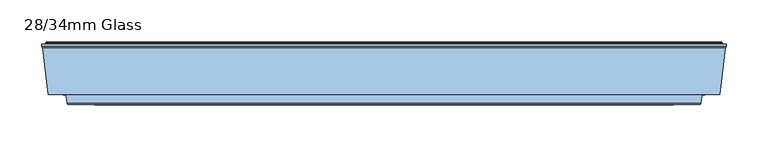
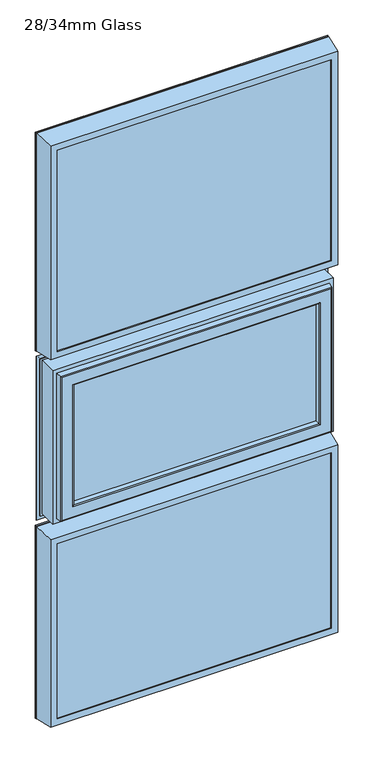
"""IFC4 building model written with IfcOpenShell, lengths in millimetres: window geometry, 28/34mm Glass."""

from ifc_helpers import new_model, si_unit, frame, origin, place, context, project, spatial, polyline, ellipse_curve, outline, extrude, source, transform, mapped, element, save
from ifc_brep_helpers import plane_surface, cylinder_surface, advanced_brep


def window_28_34mm_glass_00a71ec9(model_context):
    return source(origin(), model_context, "Body", "SolidModel", [
        extrude(outline(polyline([(396.0, 93.010944), (-396.0, 93.010944), (-396.0, 127.010944), (396.0, 127.010944), (396.0, 93.010944)])), frame((0.0, 0.0, 1931.0), z_axis=(0.0, 0.0, 1.0), x_axis=(1.0, 0.0, 0.0)), (0.0, 0.0, 1.0), 621.0),
        advanced_brep(
        [(382.0, 128.3448353, 2538.0), (389.1686313, 151.7923717, 2545.1686313), (389.1686313, 151.7923717, 1937.8313687), (382.0, 128.3448353, 1945.0), (382.0, 127.010944, 2538.0), (382.0, 127.010944, 1945.0), (396.0, 93.0, 2552.0), (396.0, 127.010944, 2552.0), (396.0, 127.010944, 1931.0), (396.0, 93.0, 1931.0), (382.0, 90.0, 2538.0), (382.0, 93.0, 2538.0), (382.0, 93.0, 1945.0), (382.0, 90.0, 1945.0), (406.822025, 145.5609347, 2562.822025), (400.0, 90.0, 2556.0), (400.0, 90.0, 1927.0), (406.822025, 145.5609347, 1920.177975), (407.6, 147.2, 2563.6), (407.6, 147.2, 1919.4), (407.6, 150.5, 2563.6), (407.6, 150.5, 1919.4), (403.22, 151.5, 2559.22), (403.22, 150.5, 2559.22), (403.22, 150.5, 1923.78), (403.22, 151.5, 1923.78), (402.22, 152.5, 2558.22), (402.22, 152.5, 1924.78), (390.124936, 152.5, 2546.124936), (390.124936, 152.5, 1936.875064), (-389.1686313, 151.7923717, 1937.8313687), (-382.0, 128.3448353, 1945.0), (-382.0, 127.010944, 1945.0), (-396.0, 127.010944, 1931.0), (-396.0, 93.0, 1931.0), (-382.0, 93.0, 1945.0), (-382.0, 90.0, 1945.0), (-400.0, 90.0, 1927.0), (-406.822025, 145.5609347, 1920.177975), (-407.6, 147.2, 1919.4), (-407.6, 150.5, 1919.4), (-403.22, 150.5, 1923.78), (-403.22, 151.5, 1923.78), (-402.22, 152.5, 1924.78), (-390.124936, 152.5, 1936.875064), (-389.1686313, 151.7923717, 2545.1686313), (-382.0, 128.3448353, 2538.0), (-382.0, 127.010944, 2538.0), (-396.0, 127.010944, 2552.0), (-396.0, 93.0, 2552.0), (-382.0, 93.0, 2538.0), (-382.0, 90.0, 2538.0), (-400.0, 90.0, 2556.0), (-406.822025, 145.5609347, 2562.822025), (-407.6, 147.2, 2563.6), (-407.6, 150.5, 2563.6), (-403.22, 150.5, 2559.22), (-403.22, 151.5, 2559.22), (-402.22, 152.5, 2558.22), (-390.124936, 152.5, 2546.124936)],
        [
            (0, 1),
            (1, 2),
            (2, 3),
            (3, 0),
            (4, 0),
            (3, 5),
            (5, 4),
            (6, 7),
            (7, 8),
            (8, 9),
            (9, 6),
            (10, 11),
            (11, 12),
            (12, 13),
            (13, 10),
            (14, 15),
            (15, 16),
            (16, 17),
            (17, 14),
            (18, 14),
            (17, 19),
            (19, 18),
            (20, 18),
            (19, 21),
            (21, 20),
            (22, 23),
            (23, 24),
            (24, 25),
            (25, 22),
            (26, 22, ellipse_curve(frame((402.22, 151.5, 2558.22), z_axis=(0.7071067811865475, 0.0, -0.7071067811865475), x_axis=(0.7071067811865474, 0.0, 0.7071067811865476)), 1.4142136, 1.0)),
            (25, 27, ellipse_curve(frame((402.22, 151.5, 1924.78), z_axis=(0.7071067811865475, 0.0, 0.7071067811865475), x_axis=(-0.7071067811865474, 0.0, 0.7071067811865476)), 1.4142136, 1.0)),
            (27, 26),
            (1, 28, ellipse_curve(frame((390.124936, 151.5, 2546.124936), z_axis=(0.7071067811865475, 0.0, -0.7071067811865475), x_axis=(0.7071067811865474, 0.0, 0.7071067811865476)), 1.4142136, 1.0)),
            (28, 29),
            (29, 2, ellipse_curve(frame((390.124936, 151.5, 1936.875064), z_axis=(0.7071067811865475, 0.0, 0.7071067811865475), x_axis=(-0.7071067811865474, 0.0, 0.7071067811865476)), 1.4142136, 1.0)),
            (2, 30),
            (30, 31),
            (31, 3),
            (31, 32),
            (32, 5),
            (8, 33),
            (33, 34),
            (34, 9),
            (12, 35),
            (35, 36),
            (36, 13),
            (16, 37),
            (37, 38),
            (38, 17),
            (38, 39),
            (39, 19),
            (39, 40),
            (40, 21),
            (24, 41),
            (41, 42),
            (42, 25),
            (42, 43, ellipse_curve(frame((-402.22, 151.5, 1924.78), z_axis=(0.7071067811865475, 0.0, -0.7071067811865475), x_axis=(0.7071067811865476, 0.0, 0.7071067811865474)), 1.4142136, 1.0)),
            (43, 27),
            (29, 44),
            (44, 30, ellipse_curve(frame((-390.124936, 151.5, 1936.875064), z_axis=(0.7071067811865475, 0.0, -0.7071067811865475), x_axis=(0.7071067811865476, 0.0, 0.7071067811865474)), 1.4142136, 1.0)),
            (30, 45),
            (45, 46),
            (46, 31),
            (46, 47),
            (47, 32),
            (33, 48),
            (48, 49),
            (49, 34),
            (35, 50),
            (50, 51),
            (51, 36),
            (37, 52),
            (52, 53),
            (53, 38),
            (53, 54),
            (54, 39),
            (54, 55),
            (55, 40),
            (41, 56),
            (56, 57),
            (57, 42),
            (57, 58, ellipse_curve(frame((-402.22, 151.5, 2558.22), z_axis=(-0.7071067811865475, 0.0, -0.7071067811865475), x_axis=(0.7071067811865474, 0.0, -0.7071067811865476)), 1.4142136, 1.0)),
            (58, 43),
            (44, 59),
            (59, 45, ellipse_curve(frame((-390.124936, 151.5, 2546.124936), z_axis=(-0.7071067811865475, 0.0, -0.7071067811865475), x_axis=(0.7071067811865474, 0.0, -0.7071067811865476)), 1.4142136, 1.0)),
            (45, 1),
            (0, 46),
            (4, 47),
            (7, 48),
            (6, 49),
            (11, 50),
            (10, 51),
            (15, 52),
            (14, 53),
            (18, 54),
            (20, 55),
            (23, 56),
            (22, 57),
            (26, 58),
            (28, 59),
        ],
        [
            plane_surface(frame((389.1686313, 151.7923717, 2545.1686313), z_axis=(-0.956304755963033, 0.292371704722745, 0.0), x_axis=(0.0, 0.0, -1.0))),
            plane_surface(frame((382.0, 128.3448353, 2538.0), z_axis=(-1.0, 0.0, 0.0), x_axis=(0.0, 0.0, -1.0))),
            plane_surface(frame((396.0, 127.010944, 2552.0), z_axis=(-1.0, 0.0, 0.0), x_axis=(0.0, 0.0, -1.0))),
            plane_surface(frame((382.0, 93.0, 2538.0), z_axis=(-1.0, 0.0, 0.0), x_axis=(0.0, 0.0, -1.0))),
            plane_surface(frame((400.0, 90.0, 2556.0), z_axis=(0.9925461516413232, -0.1218693434051386, 0.0), x_axis=(0.0, 0.0, -1.0))),
            plane_surface(frame((406.822025, 145.5609347, 2562.822025), z_axis=(0.9034015732556399, -0.4287955193786835, 0.0), x_axis=(0.0, 0.0, -1.0))),
            plane_surface(frame((407.6, 147.2, 2563.6), z_axis=(1.0, 0.0, 0.0), x_axis=(0.0, 0.0, -1.0))),
            plane_surface(frame((403.22, 150.5, 2559.22), z_axis=(1.0, 0.0, 0.0), x_axis=(0.0, 0.0, -1.0))),
            cylinder_surface(frame((402.22, 151.5, 2588.0), z_axis=(0.0, 0.0, 1.0), x_axis=(0.0, -1.0, 0.0)), 1.0),
            cylinder_surface(frame((390.124936, 151.5, 2588.0), z_axis=(0.0, 0.0, 1.0), x_axis=(0.0, -1.0, 0.0)), 1.0),
            plane_surface(frame((389.1686313, 151.7923717, 1937.8313687), z_axis=(0.0, 0.292371704722745, 0.956304755963033), x_axis=(-1.0, 0.0, 0.0))),
            plane_surface(frame((382.0, 128.3448353, 1945.0), z_axis=(0.0, 0.0, 1.0), x_axis=(-1.0, 0.0, 0.0))),
            plane_surface(frame((396.0, 127.010944, 1931.0), z_axis=(0.0, 0.0, 1.0), x_axis=(-1.0, 0.0, 0.0))),
            plane_surface(frame((382.0, 93.0, 1945.0), z_axis=(0.0, 0.0, 1.0), x_axis=(-1.0, 0.0, 0.0))),
            plane_surface(frame((400.0, 90.0, 1927.0), z_axis=(0.0, -0.1218693434051386, -0.9925461516413232), x_axis=(-1.0, 0.0, 0.0))),
            plane_surface(frame((406.822025, 145.5609347, 1920.177975), z_axis=(0.0, -0.4287955193786835, -0.9034015732556399), x_axis=(-1.0, 0.0, 0.0))),
            plane_surface(frame((407.6, 147.2, 1919.4), z_axis=(0.0, 0.0, -1.0), x_axis=(-1.0, 0.0, 0.0))),
            plane_surface(frame((403.22, 150.5, 1923.78), z_axis=(0.0, 0.0, -1.0), x_axis=(-1.0, 0.0, 0.0))),
            cylinder_surface(frame((432.0, 151.5, 1924.78), z_axis=(1.0, 0.0, 0.0), x_axis=(0.0, -1.0, 0.0)), 1.0),
            cylinder_surface(frame((432.0, 151.5, 1936.875064), z_axis=(1.0, 0.0, 0.0), x_axis=(0.0, -1.0, 0.0)), 1.0),
            plane_surface(frame((-389.1686313, 151.7923717, 1937.8313687), z_axis=(0.956304755963033, 0.292371704722745, 0.0), x_axis=(0.0, 0.0, 1.0))),
            plane_surface(frame((-382.0, 128.3448353, 1945.0), z_axis=(1.0, 0.0, 0.0), x_axis=(0.0, 0.0, 1.0))),
            plane_surface(frame((-396.0, 127.010944, 1931.0), z_axis=(1.0, 0.0, 0.0), x_axis=(0.0, 0.0, 1.0))),
            plane_surface(frame((-382.0, 93.0, 1945.0), z_axis=(1.0, 0.0, 0.0), x_axis=(0.0, 0.0, 1.0))),
            plane_surface(frame((-400.0, 90.0, 1927.0), z_axis=(-0.9925461516413232, -0.1218693434051386, 0.0), x_axis=(0.0, 0.0, 1.0))),
            plane_surface(frame((-406.822025, 145.5609347, 1920.177975), z_axis=(-0.9034015732556399, -0.4287955193786835, 0.0), x_axis=(0.0, 0.0, 1.0))),
            plane_surface(frame((-407.6, 147.2, 1919.4), z_axis=(-1.0, 0.0, 0.0), x_axis=(0.0, 0.0, 1.0))),
            plane_surface(frame((-403.22, 150.5, 1923.78), z_axis=(-1.0, 0.0, 0.0), x_axis=(0.0, 0.0, 1.0))),
            cylinder_surface(frame((-402.22, 151.5, 1895.0), z_axis=(0.0, 0.0, -1.0), x_axis=(0.0, -1.0, 0.0)), 1.0),
            cylinder_surface(frame((-390.124936, 151.5, 1895.0), z_axis=(0.0, 0.0, -1.0), x_axis=(0.0, -1.0, 0.0)), 1.0),
            plane_surface(frame((-389.1686313, 151.7923717, 2545.1686313), z_axis=(0.0, 0.292371704722745, -0.956304755963033), x_axis=(1.0, 0.0, 0.0))),
            plane_surface(frame((-382.0, 128.3448353, 2538.0), z_axis=(0.0, 0.0, -1.0), x_axis=(1.0, 0.0, 0.0))),
            plane_surface(frame((-382.0, 127.010944, 2538.0), z_axis=(0.0, -1.0, 0.0), x_axis=(1.0, 0.0, 0.0))),
            plane_surface(frame((-396.0, 127.010944, 2552.0), z_axis=(0.0, 0.0, -1.0), x_axis=(1.0, 0.0, 0.0))),
            plane_surface(frame((-396.0, 93.0, 2552.0), z_axis=(0.0, 1.0, 0.0), x_axis=(1.0, 0.0, 0.0))),
            plane_surface(frame((-382.0, 93.0, 2538.0), z_axis=(0.0, 0.0, -1.0), x_axis=(1.0, 0.0, 0.0))),
            plane_surface(frame((-382.0, 90.0, 2538.0), z_axis=(0.0, -1.0, 0.0), x_axis=(1.0, 0.0, 0.0))),
            plane_surface(frame((-400.0, 90.0, 2556.0), z_axis=(0.0, -0.1218693434051386, 0.9925461516413232), x_axis=(1.0, 0.0, 0.0))),
            plane_surface(frame((-406.822025, 145.5609347, 2562.822025), z_axis=(0.0, -0.4287955193786835, 0.9034015732556399), x_axis=(1.0, 0.0, 0.0))),
            plane_surface(frame((-407.6, 147.2, 2563.6), z_axis=(0.0, 0.0, 1.0), x_axis=(1.0, 0.0, 0.0))),
            plane_surface(frame((-407.6, 150.5, 2563.6), z_axis=(0.0, 1.0, 0.0), x_axis=(1.0, 0.0, 0.0))),
            plane_surface(frame((-403.22, 150.5, 2559.22), z_axis=(0.0, 0.0, 1.0), x_axis=(1.0, 0.0, 0.0))),
            cylinder_surface(frame((-432.0, 151.5, 2558.22), z_axis=(-1.0, 0.0, 0.0), x_axis=(0.0, -1.0, 0.0)), 1.0),
            plane_surface(frame((-402.22, 152.5, 2558.22), z_axis=(0.0, 1.0, 0.0), x_axis=(1.0, 0.0, 0.0))),
            cylinder_surface(frame((-432.0, 151.5, 2546.124936), z_axis=(-1.0, 0.0, 0.0), x_axis=(0.0, -1.0, 0.0)), 1.0),
        ],
        [
            (0, [[1, 2, 3, 4]]),
            (1, [[5, -4, 6, 7]]),
            (2, [[8, 9, 10, 11]]),
            (3, [[12, 13, 14, 15]]),
            (4, [[16, 17, 18, 19]]),
            (5, [[20, -19, 21, 22]]),
            (6, [[23, -22, 24, 25]]),
            (7, [[26, 27, 28, 29]]),
            (8, [[30, -29, 31, 32]]),
            (9, [[33, 34, 35, -2]]),
            (10, [[-3, 36, 37, 38]]),
            (11, [[-6, -38, 39, 40]]),
            (12, [[-10, 41, 42, 43]]),
            (13, [[-14, 44, 45, 46]]),
            (14, [[-18, 47, 48, 49]]),
            (15, [[-21, -49, 50, 51]]),
            (16, [[-24, -51, 52, 53]]),
            (17, [[-28, 54, 55, 56]]),
            (18, [[-31, -56, 57, 58]]),
            (19, [[-35, 59, 60, -36]]),
            (20, [[-37, 61, 62, 63]]),
            (21, [[-39, -63, 64, 65]]),
            (22, [[-42, 66, 67, 68]]),
            (23, [[-45, 69, 70, 71]]),
            (24, [[-48, 72, 73, 74]]),
            (25, [[-50, -74, 75, 76]]),
            (26, [[-52, -76, 77, 78]]),
            (27, [[-55, 79, 80, 81]]),
            (28, [[-57, -81, 82, 83]]),
            (29, [[-60, 84, 85, -61]]),
            (30, [[-62, 86, -1, 87]]),
            (31, [[-64, -87, -5, 88]]),
            (32, [[89, -66, -41, -9], [-40, -65, -88, -7]]),
            (33, [[-67, -89, -8, 90]]),
            (34, [[-43, -68, -90, -11], [91, -69, -44, -13]]),
            (35, [[-70, -91, -12, 92]]),
            (36, [[93, -72, -47, -17], [-46, -71, -92, -15]]),
            (37, [[-73, -93, -16, 94]]),
            (38, [[-75, -94, -20, 95]]),
            (39, [[-77, -95, -23, 96]]),
            (40, [[-53, -78, -96, -25], [97, -79, -54, -27]]),
            (41, [[-80, -97, -26, 98]]),
            (42, [[-82, -98, -30, 99]]),
            (43, [[-58, -83, -99, -32], [100, -84, -59, -34]]),
            (44, [[-85, -100, -33, -86]]),
        ],
    ),
        extrude(outline(polyline([(396.0, 93.010944), (-396.0, 93.010944), (-396.0, 127.010944), (396.0, 127.010944), (396.0, 93.010944)])), frame((0.0, 0.0, 848.0), z_axis=(0.0, 0.0, 1.0), x_axis=(1.0, 0.0, 0.0)), (0.0, 0.0, 1.0), 545.0),
        advanced_brep(
        [(382.0, 128.3448353, 1379.0), (389.1686313, 151.7923717, 1386.1686313), (389.1686313, 151.7923717, 854.8313687), (382.0, 128.3448353, 862.0), (382.0, 127.010944, 1379.0), (382.0, 127.010944, 862.0), (396.0, 93.0, 1393.0), (396.0, 127.010944, 1393.0), (396.0, 127.010944, 848.0), (396.0, 93.0, 848.0), (382.0, 90.0, 1379.0), (382.0, 93.0, 1379.0), (382.0, 93.0, 862.0), (382.0, 90.0, 862.0), (406.822025, 145.5609347, 1403.822025), (400.0, 90.0, 1397.0), (400.0, 90.0, 844.0), (406.822025, 145.5609347, 837.177975), (407.6, 147.2, 1404.6), (407.6, 147.2, 836.4), (407.6, 150.5, 1404.6), (407.6, 150.5, 836.4), (403.22, 151.5, 1400.22), (403.22, 150.5, 1400.22), (403.22, 150.5, 840.78), (403.22, 151.5, 840.78), (402.22, 152.5, 1399.22), (402.22, 152.5, 841.78), (390.124936, 152.5, 1387.124936), (390.124936, 152.5, 853.875064), (-389.1686313, 151.7923717, 854.8313687), (-382.0, 128.3448353, 862.0), (-382.0, 127.010944, 862.0), (-396.0, 127.010944, 848.0), (-396.0, 93.0, 848.0), (-382.0, 93.0, 862.0), (-382.0, 90.0, 862.0), (-400.0, 90.0, 844.0), (-406.822025, 145.5609347, 837.177975), (-407.6, 147.2, 836.4), (-407.6, 150.5, 836.4), (-403.22, 150.5, 840.78), (-403.22, 151.5, 840.78), (-402.22, 152.5, 841.78), (-390.124936, 152.5, 853.875064), (-389.1686313, 151.7923717, 1386.1686313), (-382.0, 128.3448353, 1379.0), (-382.0, 127.010944, 1379.0), (-396.0, 127.010944, 1393.0), (-396.0, 93.0, 1393.0), (-382.0, 93.0, 1379.0), (-382.0, 90.0, 1379.0), (-400.0, 90.0, 1397.0), (-406.822025, 145.5609347, 1403.822025), (-407.6, 147.2, 1404.6), (-407.6, 150.5, 1404.6), (-403.22, 150.5, 1400.22), (-403.22, 151.5, 1400.22), (-402.22, 152.5, 1399.22), (-390.124936, 152.5, 1387.124936)],
        [
            (0, 1),
            (1, 2),
            (2, 3),
            (3, 0),
            (4, 0),
            (3, 5),
            (5, 4),
            (6, 7),
            (7, 8),
            (8, 9),
            (9, 6),
            (10, 11),
            (11, 12),
            (12, 13),
            (13, 10),
            (14, 15),
            (15, 16),
            (16, 17),
            (17, 14),
            (18, 14),
            (17, 19),
            (19, 18),
            (20, 18),
            (19, 21),
            (21, 20),
            (22, 23),
            (23, 24),
            (24, 25),
            (25, 22),
            (26, 22, ellipse_curve(frame((402.22, 151.5, 1399.22), z_axis=(0.7071067811865475, 0.0, -0.7071067811865475), x_axis=(0.7071067811865474, 0.0, 0.7071067811865476)), 1.4142136, 1.0)),
            (25, 27, ellipse_curve(frame((402.22, 151.5, 841.78), z_axis=(0.7071067811865475, 0.0, 0.7071067811865475), x_axis=(-0.7071067811865474, 0.0, 0.7071067811865476)), 1.4142136, 1.0)),
            (27, 26),
            (1, 28, ellipse_curve(frame((390.124936, 151.5, 1387.124936), z_axis=(0.7071067811865475, 0.0, -0.7071067811865475), x_axis=(0.7071067811865474, 0.0, 0.7071067811865476)), 1.4142136, 1.0)),
            (28, 29),
            (29, 2, ellipse_curve(frame((390.124936, 151.5, 853.875064), z_axis=(0.7071067811865475, 0.0, 0.7071067811865475), x_axis=(-0.7071067811865474, 0.0, 0.7071067811865476)), 1.4142136, 1.0)),
            (2, 30),
            (30, 31),
            (31, 3),
            (31, 32),
            (32, 5),
            (8, 33),
            (33, 34),
            (34, 9),
            (12, 35),
            (35, 36),
            (36, 13),
            (16, 37),
            (37, 38),
            (38, 17),
            (38, 39),
            (39, 19),
            (39, 40),
            (40, 21),
            (24, 41),
            (41, 42),
            (42, 25),
            (42, 43, ellipse_curve(frame((-402.22, 151.5, 841.78), z_axis=(0.7071067811865475, 0.0, -0.7071067811865475), x_axis=(0.7071067811865476, 0.0, 0.7071067811865474)), 1.4142136, 1.0)),
            (43, 27),
            (29, 44),
            (44, 30, ellipse_curve(frame((-390.124936, 151.5, 853.875064), z_axis=(0.7071067811865475, 0.0, -0.7071067811865475), x_axis=(0.7071067811865476, 0.0, 0.7071067811865474)), 1.4142136, 1.0)),
            (30, 45),
            (45, 46),
            (46, 31),
            (46, 47),
            (47, 32),
            (33, 48),
            (48, 49),
            (49, 34),
            (35, 50),
            (50, 51),
            (51, 36),
            (37, 52),
            (52, 53),
            (53, 38),
            (53, 54),
            (54, 39),
            (54, 55),
            (55, 40),
            (41, 56),
            (56, 57),
            (57, 42),
            (57, 58, ellipse_curve(frame((-402.22, 151.5, 1399.22), z_axis=(-0.7071067811865475, 0.0, -0.7071067811865475), x_axis=(0.7071067811865474, 0.0, -0.7071067811865476)), 1.4142136, 1.0)),
            (58, 43),
            (44, 59),
            (59, 45, ellipse_curve(frame((-390.124936, 151.5, 1387.124936), z_axis=(-0.7071067811865475, 0.0, -0.7071067811865475), x_axis=(0.7071067811865474, 0.0, -0.7071067811865476)), 1.4142136, 1.0)),
            (45, 1),
            (0, 46),
            (4, 47),
            (7, 48),
            (6, 49),
            (11, 50),
            (10, 51),
            (15, 52),
            (14, 53),
            (18, 54),
            (20, 55),
            (23, 56),
            (22, 57),
            (26, 58),
            (28, 59),
        ],
        [
            plane_surface(frame((389.1686313, 151.7923717, 1386.1686313), z_axis=(-0.956304755963033, 0.292371704722745, 0.0), x_axis=(0.0, 0.0, -1.0))),
            plane_surface(frame((382.0, 128.3448353, 1379.0), z_axis=(-1.0, 0.0, 0.0), x_axis=(0.0, 0.0, -1.0))),
            plane_surface(frame((396.0, 127.010944, 1393.0), z_axis=(-1.0, 0.0, 0.0), x_axis=(0.0, 0.0, -1.0))),
            plane_surface(frame((382.0, 93.0, 1379.0), z_axis=(-1.0, 0.0, 0.0), x_axis=(0.0, 0.0, -1.0))),
            plane_surface(frame((400.0, 90.0, 1397.0), z_axis=(0.9925461516413232, -0.1218693434051386, 0.0), x_axis=(0.0, 0.0, -1.0))),
            plane_surface(frame((406.822025, 145.5609347, 1403.822025), z_axis=(0.9034015732556399, -0.4287955193786835, 0.0), x_axis=(0.0, 0.0, -1.0))),
            plane_surface(frame((407.6, 147.2, 1404.6), z_axis=(1.0, 0.0, 0.0), x_axis=(0.0, 0.0, -1.0))),
            plane_surface(frame((403.22, 150.5, 1400.22), z_axis=(1.0, 0.0, 0.0), x_axis=(0.0, 0.0, -1.0))),
            cylinder_surface(frame((402.22, 151.5, 1429.0), z_axis=(0.0, 0.0, 1.0), x_axis=(0.0, -1.0, 0.0)), 1.0),
            cylinder_surface(frame((390.124936, 151.5, 1429.0), z_axis=(0.0, 0.0, 1.0), x_axis=(0.0, -1.0, 0.0)), 1.0),
            plane_surface(frame((389.1686313, 151.7923717, 854.8313687), z_axis=(0.0, 0.292371704722745, 0.956304755963033), x_axis=(-1.0, 0.0, 0.0))),
            plane_surface(frame((382.0, 128.3448353, 862.0), z_axis=(0.0, 0.0, 1.0), x_axis=(-1.0, 0.0, 0.0))),
            plane_surface(frame((396.0, 127.010944, 848.0), z_axis=(0.0, 0.0, 1.0), x_axis=(-1.0, 0.0, 0.0))),
            plane_surface(frame((382.0, 93.0, 862.0), z_axis=(0.0, 0.0, 1.0), x_axis=(-1.0, 0.0, 0.0))),
            plane_surface(frame((400.0, 90.0, 844.0), z_axis=(0.0, -0.1218693434051386, -0.9925461516413232), x_axis=(-1.0, 0.0, 0.0))),
            plane_surface(frame((406.822025, 145.5609347, 837.177975), z_axis=(0.0, -0.4287955193786835, -0.9034015732556399), x_axis=(-1.0, 0.0, 0.0))),
            plane_surface(frame((407.6, 147.2, 836.4), z_axis=(0.0, 0.0, -1.0), x_axis=(-1.0, 0.0, 0.0))),
            plane_surface(frame((403.22, 150.5, 840.78), z_axis=(0.0, 0.0, -1.0), x_axis=(-1.0, 0.0, 0.0))),
            cylinder_surface(frame((432.0, 151.5, 841.78), z_axis=(1.0, 0.0, 0.0), x_axis=(0.0, -1.0, 0.0)), 1.0),
            cylinder_surface(frame((432.0, 151.5, 853.875064), z_axis=(1.0, 0.0, 0.0), x_axis=(0.0, -1.0, 0.0)), 1.0),
            plane_surface(frame((-389.1686313, 151.7923717, 854.8313687), z_axis=(0.956304755963033, 0.292371704722745, 0.0), x_axis=(0.0, 0.0, 1.0))),
            plane_surface(frame((-382.0, 128.3448353, 862.0), z_axis=(1.0, 0.0, 0.0), x_axis=(0.0, 0.0, 1.0))),
            plane_surface(frame((-396.0, 127.010944, 848.0), z_axis=(1.0, 0.0, 0.0), x_axis=(0.0, 0.0, 1.0))),
            plane_surface(frame((-382.0, 93.0, 862.0), z_axis=(1.0, 0.0, 0.0), x_axis=(0.0, 0.0, 1.0))),
            plane_surface(frame((-400.0, 90.0, 844.0), z_axis=(-0.9925461516413232, -0.1218693434051386, 0.0), x_axis=(0.0, 0.0, 1.0))),
            plane_surface(frame((-406.822025, 145.5609347, 837.177975), z_axis=(-0.9034015732556399, -0.4287955193786835, 0.0), x_axis=(0.0, 0.0, 1.0))),
            plane_surface(frame((-407.6, 147.2, 836.4), z_axis=(-1.0, 0.0, 0.0), x_axis=(0.0, 0.0, 1.0))),
            plane_surface(frame((-403.22, 150.5, 840.78), z_axis=(-1.0, 0.0, 0.0), x_axis=(0.0, 0.0, 1.0))),
            cylinder_surface(frame((-402.22, 151.5, 812.0), z_axis=(0.0, 0.0, -1.0), x_axis=(0.0, -1.0, 0.0)), 1.0),
            cylinder_surface(frame((-390.124936, 151.5, 812.0), z_axis=(0.0, 0.0, -1.0), x_axis=(0.0, -1.0, 0.0)), 1.0),
            plane_surface(frame((-389.1686313, 151.7923717, 1386.1686313), z_axis=(0.0, 0.292371704722745, -0.956304755963033), x_axis=(1.0, 0.0, 0.0))),
            plane_surface(frame((-382.0, 128.3448353, 1379.0), z_axis=(0.0, 0.0, -1.0), x_axis=(1.0, 0.0, 0.0))),
            plane_surface(frame((-382.0, 127.010944, 1379.0), z_axis=(0.0, -1.0, 0.0), x_axis=(1.0, 0.0, 0.0))),
            plane_surface(frame((-396.0, 127.010944, 1393.0), z_axis=(0.0, 0.0, -1.0), x_axis=(1.0, 0.0, 0.0))),
            plane_surface(frame((-396.0, 93.0, 1393.0), z_axis=(0.0, 1.0, 0.0), x_axis=(1.0, 0.0, 0.0))),
            plane_surface(frame((-382.0, 93.0, 1379.0), z_axis=(0.0, 0.0, -1.0), x_axis=(1.0, 0.0, 0.0))),
            plane_surface(frame((-382.0, 90.0, 1379.0), z_axis=(0.0, -1.0, 0.0), x_axis=(1.0, 0.0, 0.0))),
            plane_surface(frame((-400.0, 90.0, 1397.0), z_axis=(0.0, -0.1218693434051386, 0.9925461516413232), x_axis=(1.0, 0.0, 0.0))),
            plane_surface(frame((-406.822025, 145.5609347, 1403.822025), z_axis=(0.0, -0.4287955193786835, 0.9034015732556399), x_axis=(1.0, 0.0, 0.0))),
            plane_surface(frame((-407.6, 147.2, 1404.6), z_axis=(0.0, 0.0, 1.0), x_axis=(1.0, 0.0, 0.0))),
            plane_surface(frame((-407.6, 150.5, 1404.6), z_axis=(0.0, 1.0, 0.0), x_axis=(1.0, 0.0, 0.0))),
            plane_surface(frame((-403.22, 150.5, 1400.22), z_axis=(0.0, 0.0, 1.0), x_axis=(1.0, 0.0, 0.0))),
            cylinder_surface(frame((-432.0, 151.5, 1399.22), z_axis=(-1.0, 0.0, 0.0), x_axis=(0.0, -1.0, 0.0)), 1.0),
            plane_surface(frame((-402.22, 152.5, 1399.22), z_axis=(0.0, 1.0, 0.0), x_axis=(1.0, 0.0, 0.0))),
            cylinder_surface(frame((-432.0, 151.5, 1387.124936), z_axis=(-1.0, 0.0, 0.0), x_axis=(0.0, -1.0, 0.0)), 1.0),
        ],
        [
            (0, [[1, 2, 3, 4]]),
            (1, [[5, -4, 6, 7]]),
            (2, [[8, 9, 10, 11]]),
            (3, [[12, 13, 14, 15]]),
            (4, [[16, 17, 18, 19]]),
            (5, [[20, -19, 21, 22]]),
            (6, [[23, -22, 24, 25]]),
            (7, [[26, 27, 28, 29]]),
            (8, [[30, -29, 31, 32]]),
            (9, [[33, 34, 35, -2]]),
            (10, [[-3, 36, 37, 38]]),
            (11, [[-6, -38, 39, 40]]),
            (12, [[-10, 41, 42, 43]]),
            (13, [[-14, 44, 45, 46]]),
            (14, [[-18, 47, 48, 49]]),
            (15, [[-21, -49, 50, 51]]),
            (16, [[-24, -51, 52, 53]]),
            (17, [[-28, 54, 55, 56]]),
            (18, [[-31, -56, 57, 58]]),
            (19, [[-35, 59, 60, -36]]),
            (20, [[-37, 61, 62, 63]]),
            (21, [[-39, -63, 64, 65]]),
            (22, [[-42, 66, 67, 68]]),
            (23, [[-45, 69, 70, 71]]),
            (24, [[-48, 72, 73, 74]]),
            (25, [[-50, -74, 75, 76]]),
            (26, [[-52, -76, 77, 78]]),
            (27, [[-55, 79, 80, 81]]),
            (28, [[-57, -81, 82, 83]]),
            (29, [[-60, 84, 85, -61]]),
            (30, [[-62, 86, -1, 87]]),
            (31, [[-64, -87, -5, 88]]),
            (32, [[89, -66, -41, -9], [-40, -65, -88, -7]]),
            (33, [[-67, -89, -8, 90]]),
            (34, [[-43, -68, -90, -11], [91, -69, -44, -13]]),
            (35, [[-70, -91, -12, 92]]),
            (36, [[93, -72, -47, -17], [-46, -71, -92, -15]]),
            (37, [[-73, -93, -16, 94]]),
            (38, [[-75, -94, -20, 95]]),
            (39, [[-77, -95, -23, 96]]),
            (40, [[-53, -78, -96, -25], [97, -79, -54, -27]]),
            (41, [[-80, -97, -26, 98]]),
            (42, [[-82, -98, -30, 99]]),
            (43, [[-58, -83, -99, -32], [100, -84, -59, -34]]),
            (44, [[-85, -100, -33, -86]]),
        ],
    ),
        extrude(outline(polyline([(354.0, 93.0110098), (-354.0, 93.0110098), (-354.0, 141.0110098), (354.0, 141.0110098), (354.0, 93.0110098)])), frame((0.0, 0.0, 1473.0), z_axis=(0.0, 0.0, 1.0), x_axis=(1.0, 0.0, 0.0)), (0.0, 0.0, 1.0), 378.0),
        advanced_brep(
        [(396.5, 148.6168436, 1893.5), (396.5, 145.5999985, 1893.5), (396.5, 145.5999985, 1430.5), (396.5, 148.6168436, 1430.5), (399.0, 153.0, 1896.0), (400.0, 152.0, 1897.0), (400.0, 152.0, 1427.0), (399.0, 153.0, 1428.0), (340.0012615, 141.0, 1837.0012615), (340.0012615, 142.3599713, 1837.0012615), (340.0012615, 142.3599713, 1486.9987385), (340.0012615, 141.0, 1486.9987385), (360.8253967, 113.0110098, 1857.8253967), (364.2620126, 141.0, 1861.2620126), (364.2620126, 141.0, 1462.7379874), (360.8253967, 113.0110098, 1466.1746033), (340.0013518, 110.0110098, 1837.0013518), (340.0013518, 113.0110098, 1837.0013518), (340.0013518, 113.0110098, 1486.9986482), (340.0013518, 110.0110098, 1486.9986482), (340.0232044, 108.8030982, 1837.0232044), (341.001352, 110.0110098, 1838.001352), (341.001352, 110.0110098, 1485.998648), (340.0232044, 108.8030982, 1486.9767956), (341.8120427, 80.376265, 1838.8120427), (341.8120427, 80.376265, 1485.1879573), (344.7464855, 78.0, 1841.7464855), (344.7464855, 78.0, 1482.2535145), (377.5618051, 79.7562613, 1874.5618051), (375.5767128, 78.0, 1872.5767128), (375.5767128, 78.0, 1451.4232872), (377.5618051, 79.7562613, 1449.4381949), (379.5562854, 96.0, 1876.5562854), (379.5562854, 96.0, 1447.4437146), (391.0, 145.5999985, 1888.0), (391.0, 96.0, 1888.0), (391.0, 96.0, 1436.0), (391.0, 145.5999985, 1436.0), (-396.5, 145.5999985, 1430.5), (-396.5, 148.6168436, 1430.5), (-400.0, 152.0, 1427.0), (-399.0, 153.0, 1428.0), (-340.0012615, 142.3599713, 1486.9987385), (-340.0012615, 141.0, 1486.9987385), (-364.2620126, 141.0, 1462.7379874), (-360.8253967, 113.0110098, 1466.1746033), (-340.0013518, 113.0110098, 1486.9986482), (-340.0013518, 110.0110098, 1486.9986482), (-341.001352, 110.0110098, 1485.998648), (-340.0232044, 108.8030982, 1486.9767956), (-341.8120427, 80.376265, 1485.1879573), (-344.7464855, 78.0, 1482.2535145), (-375.5767128, 78.0, 1451.4232872), (-377.5618051, 79.7562613, 1449.4381949), (-379.5562854, 96.0, 1447.4437146), (-391.0, 96.0, 1436.0), (-391.0, 145.5999985, 1436.0), (-396.5, 145.5999985, 1893.5), (-396.5, 148.6168436, 1893.5), (-400.0, 152.0, 1897.0), (-399.0, 153.0, 1896.0), (-340.0012615, 142.3599713, 1837.0012615), (-340.0012615, 141.0, 1837.0012615), (-364.2620126, 141.0, 1861.2620126), (-360.8253967, 113.0110098, 1857.8253967), (-340.0013518, 113.0110098, 1837.0013518), (-340.0013518, 110.0110098, 1837.0013518), (-341.001352, 110.0110098, 1838.001352), (-340.0232044, 108.8030982, 1837.0232044), (-341.8120427, 80.376265, 1838.8120427), (-344.7464855, 78.0, 1841.7464855), (-375.5767128, 78.0, 1872.5767128), (-377.5618051, 79.7562613, 1874.5618051), (-379.5562854, 96.0, 1876.5562854), (-391.0, 96.0, 1888.0), (-391.0, 145.5999985, 1888.0), (406.1997151, 149.6865589, 1420.8002849), (-406.1997151, 149.6865589, 1420.8002849), (-406.1997151, 149.6865589, 1903.1997151), (406.1997151, 149.6865589, 1903.1997151), (400.0, 149.6865589, 1897.0), (-400.0, 149.6865589, 1897.0), (-400.0, 149.6865589, 1427.0), (400.0, 149.6865589, 1427.0), (406.1997151, 148.6168436, 1903.1997151), (406.1997151, 148.6168436, 1420.8002849), (-406.1997151, 148.6168436, 1420.8002849), (-406.1997151, 148.6168436, 1903.1997151), (342.8249234, 151.5957532, 1839.8249234), (344.5279664, 153.0, 1841.5279664), (344.5279664, 153.0, 1482.4720336), (342.8249234, 151.5957532, 1484.1750766), (-344.5279664, 153.0, 1482.4720336), (-342.8249234, 151.5957532, 1484.1750766), (-344.5279664, 153.0, 1841.5279664), (-342.8249234, 151.5957532, 1839.8249234)],
        [
            (0, 1),
            (1, 2),
            (2, 3),
            (3, 0),
            (4, 5, ellipse_curve(frame((399.0, 152.0, 1896.0), z_axis=(0.7071067811865475, 0.0, -0.7071067811865475), x_axis=(0.7071067811865474, 0.0, 0.7071067811865476)), 1.4142136, 1.0)),
            (5, 6),
            (6, 7, ellipse_curve(frame((399.0, 152.0, 1428.0), z_axis=(0.7071067811865475, 0.0, 0.7071067811865475), x_axis=(-0.7071067811865474, 0.0, 0.7071067811865476)), 1.4142136, 1.0)),
            (7, 4),
            (8, 9),
            (9, 10),
            (10, 11),
            (11, 8),
            (12, 13),
            (13, 14),
            (14, 15),
            (15, 12),
            (16, 17),
            (17, 18),
            (18, 19),
            (19, 16),
            (20, 21, ellipse_curve(frame((341.001352, 109.0110098, 1838.001352), z_axis=(0.7071067811865475, 0.0, -0.7071067811865475), x_axis=(0.7071067811865474, 0.0, 0.7071067811865476)), 1.4142136, 1.0)),
            (21, 22),
            (22, 23, ellipse_curve(frame((341.001352, 109.0110098, 1485.998648), z_axis=(0.7071067811865475, 0.0, 0.7071067811865475), x_axis=(-0.7071067811865474, 0.0, 0.7071067811865476)), 1.4142136, 1.0)),
            (23, 20),
            (24, 20),
            (23, 25),
            (25, 24),
            (26, 24, ellipse_curve(frame((344.7464855, 81.0, 1841.7464855), z_axis=(0.7071067811865475, 0.0, -0.7071067811865475), x_axis=(0.7071067811865474, 0.0, 0.7071067811865476)), 4.2426407, 3.0)),
            (25, 27, ellipse_curve(frame((344.7464855, 81.0, 1482.2535145), z_axis=(0.7071067811865475, 0.0, 0.7071067811865475), x_axis=(-0.7071067811865474, 0.0, 0.7071067811865476)), 4.2426407, 3.0)),
            (27, 26),
            (28, 29, ellipse_curve(frame((375.5767128, 80.0, 1872.5767128), z_axis=(0.7071067811865475, 0.0, -0.7071067811865475), x_axis=(0.7071067811865474, 0.0, 0.7071067811865476)), 2.8284271, 2.0)),
            (29, 30),
            (30, 31, ellipse_curve(frame((375.5767128, 80.0, 1451.4232872), z_axis=(0.7071067811865475, 0.0, 0.7071067811865475), x_axis=(-0.7071067811865474, 0.0, 0.7071067811865476)), 2.8284271, 2.0)),
            (31, 28),
            (32, 28),
            (31, 33),
            (33, 32),
            (34, 35),
            (35, 36),
            (36, 37),
            (37, 34),
            (2, 38),
            (38, 39),
            (39, 3),
            (6, 40),
            (40, 41, ellipse_curve(frame((-399.0, 152.0, 1428.0), z_axis=(0.7071067811865475, 0.0, -0.7071067811865475), x_axis=(0.7071067811865476, 0.0, 0.7071067811865474)), 1.4142136, 1.0)),
            (41, 7),
            (10, 42),
            (42, 43),
            (43, 11),
            (14, 44),
            (44, 45),
            (45, 15),
            (18, 46),
            (46, 47),
            (47, 19),
            (22, 48),
            (48, 49, ellipse_curve(frame((-341.001352, 109.0110098, 1485.998648), z_axis=(0.7071067811865475, 0.0, -0.7071067811865475), x_axis=(0.7071067811865476, 0.0, 0.7071067811865474)), 1.4142136, 1.0)),
            (49, 23),
            (49, 50),
            (50, 25),
            (50, 51, ellipse_curve(frame((-344.7464855, 81.0, 1482.2535145), z_axis=(0.7071067811865475, 0.0, -0.7071067811865475), x_axis=(0.7071067811865476, 0.0, 0.7071067811865474)), 4.2426407, 3.0)),
            (51, 27),
            (30, 52),
            (52, 53, ellipse_curve(frame((-375.5767128, 80.0, 1451.4232872), z_axis=(0.7071067811865475, 0.0, -0.7071067811865475), x_axis=(0.7071067811865476, 0.0, 0.7071067811865474)), 2.8284271, 2.0)),
            (53, 31),
            (53, 54),
            (54, 33),
            (36, 55),
            (55, 56),
            (56, 37),
            (38, 57),
            (57, 58),
            (58, 39),
            (40, 59),
            (59, 60, ellipse_curve(frame((-399.0, 152.0, 1896.0), z_axis=(-0.7071067811865475, 0.0, -0.7071067811865475), x_axis=(0.7071067811865474, 0.0, -0.7071067811865476)), 1.4142136, 1.0)),
            (60, 41),
            (42, 61),
            (61, 62),
            (62, 43),
            (44, 63),
            (63, 64),
            (64, 45),
            (46, 65),
            (65, 66),
            (66, 47),
            (48, 67),
            (67, 68, ellipse_curve(frame((-341.001352, 109.0110098, 1838.001352), z_axis=(-0.7071067811865475, 0.0, -0.7071067811865475), x_axis=(0.7071067811865474, 0.0, -0.7071067811865476)), 1.4142136, 1.0)),
            (68, 49),
            (68, 69),
            (69, 50),
            (69, 70, ellipse_curve(frame((-344.7464855, 81.0, 1841.7464855), z_axis=(-0.7071067811865475, 0.0, -0.7071067811865475), x_axis=(0.7071067811865474, 0.0, -0.7071067811865476)), 4.2426407, 3.0)),
            (70, 51),
            (52, 71),
            (71, 72, ellipse_curve(frame((-375.5767128, 80.0, 1872.5767128), z_axis=(-0.7071067811865475, 0.0, -0.7071067811865475), x_axis=(0.7071067811865474, 0.0, -0.7071067811865476)), 2.8284271, 2.0)),
            (72, 53),
            (72, 73),
            (73, 54),
            (55, 74),
            (74, 75),
            (75, 56),
            (1, 57),
            (75, 34),
            (0, 58),
            (76, 77),
            (77, 78),
            (78, 79),
            (79, 76),
            (80, 81),
            (81, 82),
            (82, 83),
            (83, 80),
            (59, 5),
            (4, 60),
            (61, 9),
            (8, 62),
            (13, 63),
            (12, 64),
            (17, 65),
            (16, 66),
            (21, 67),
            (20, 68),
            (24, 69),
            (26, 70),
            (29, 71),
            (28, 72),
            (32, 73),
            (35, 74),
            (79, 84),
            (84, 85),
            (85, 76),
            (5, 80),
            (83, 6),
            (85, 86),
            (86, 77),
            (82, 40),
            (86, 87),
            (87, 78),
            (81, 59),
            (84, 87),
            (88, 89, ellipse_curve(frame((344.7375329, 151.0110098, 1841.7375329), z_axis=(0.7071067811865475, 0.0, -0.7071067811865475), x_axis=(0.7071067811865474, 0.0, 0.7071067811865476)), 2.8284271, 2.0)),
            (89, 90),
            (90, 91, ellipse_curve(frame((344.7375329, 151.0110098, 1482.2624671), z_axis=(0.7071067811865475, 0.0, 0.7071067811865475), x_axis=(-0.7071067811865474, 0.0, 0.7071067811865476)), 2.8284271, 2.0)),
            (91, 88),
            (9, 88),
            (91, 10),
            (90, 92),
            (92, 93, ellipse_curve(frame((-344.7375329, 151.0110098, 1482.2624671), z_axis=(0.7071067811865475, 0.0, -0.7071067811865475), x_axis=(0.7071067811865476, 0.0, 0.7071067811865474)), 2.8284271, 2.0)),
            (93, 91),
            (93, 42),
            (92, 94),
            (94, 95, ellipse_curve(frame((-344.7375329, 151.0110098, 1841.7375329), z_axis=(-0.7071067811865475, 0.0, -0.7071067811865475), x_axis=(0.7071067811865474, 0.0, -0.7071067811865476)), 2.8284271, 2.0)),
            (95, 93),
            (95, 61),
            (89, 94),
            (88, 95),
        ],
        [
            plane_surface(frame((396.5, 145.5999985, 1893.5), z_axis=(1.0, 0.0, 0.0), x_axis=(0.0, 0.0, -1.0))),
            cylinder_surface(frame((399.0, 152.0, 1888.0), z_axis=(0.0, 0.0, 1.0), x_axis=(0.0, -1.0, 0.0)), 1.0),
            plane_surface(frame((340.0012615, 142.3599713, 1837.0012615), z_axis=(-1.0, 0.0, 0.0), x_axis=(0.0, 0.0, -1.0))),
            plane_surface(frame((364.2620126, 141.0, 1861.2620126), z_axis=(-0.9925461516413233, 0.12186934340513743, 0.0), x_axis=(0.0, 0.0, -1.0))),
            plane_surface(frame((340.0013518, 113.0110098, 1837.0013518), z_axis=(-1.0, 0.0, 0.0), x_axis=(0.0, 0.0, -1.0))),
            cylinder_surface(frame((341.001352, 109.0110098, 1888.0), z_axis=(0.0, 0.0, 1.0), x_axis=(0.0, -1.0, 0.0)), 1.0),
            plane_surface(frame((340.0232044, 108.8030982, 1837.0232044), z_axis=(-0.998025906423683, -0.06280358355369456, 0.0), x_axis=(0.0, 0.0, -1.0))),
            cylinder_surface(frame((344.7464855, 81.0, 1888.0), z_axis=(0.0, 0.0, 1.0), x_axis=(0.0, -1.0, 0.0)), 3.0),
            cylinder_surface(frame((375.5767128, 80.0, 1888.0), z_axis=(0.0, 0.0, 1.0), x_axis=(0.0, -1.0, 0.0)), 2.0),
            plane_surface(frame((377.5618051, 79.7562613, 1874.5618051), z_axis=(0.9925461516416144, -0.12186934340276656, 0.0), x_axis=(0.0, 0.0, -1.0))),
            plane_surface(frame((391.0, 96.0, 1888.0), z_axis=(1.0, 0.0, 0.0), x_axis=(0.0, 0.0, -1.0))),
            plane_surface(frame((396.5, 145.5999985, 1430.5), z_axis=(0.0, 0.0, -1.0), x_axis=(-1.0, 0.0, 0.0))),
            cylinder_surface(frame((391.0, 152.0, 1428.0), z_axis=(1.0, 0.0, 0.0), x_axis=(0.0, -1.0, 0.0)), 1.0),
            plane_surface(frame((340.0012615, 142.3599713, 1486.9987385), z_axis=(0.0, 0.0, 1.0), x_axis=(-1.0, 0.0, 0.0))),
            plane_surface(frame((364.2620126, 141.0, 1462.7379874), z_axis=(0.0, 0.12186934340513743, 0.9925461516413233), x_axis=(-1.0, 0.0, 0.0))),
            plane_surface(frame((340.0013518, 113.0110098, 1486.9986482), z_axis=(0.0, 0.0, 1.0), x_axis=(-1.0, 0.0, 0.0))),
            cylinder_surface(frame((391.0, 109.0110098, 1485.998648), z_axis=(1.0, 0.0, 0.0), x_axis=(0.0, -1.0, 0.0)), 1.0),
            plane_surface(frame((340.0232044, 108.8030982, 1486.9767956), z_axis=(0.0, -0.06280358355369456, 0.998025906423683), x_axis=(-1.0, 0.0, 0.0))),
            cylinder_surface(frame((391.0, 81.0, 1482.2535145), z_axis=(1.0, 0.0, 0.0), x_axis=(0.0, -1.0, 0.0)), 3.0),
            cylinder_surface(frame((391.0, 80.0, 1451.4232872), z_axis=(1.0, 0.0, 0.0), x_axis=(0.0, -1.0, 0.0)), 2.0),
            plane_surface(frame((377.5618051, 79.7562613, 1449.4381949), z_axis=(0.0, -0.12186934340276656, -0.9925461516416144), x_axis=(-1.0, 0.0, 0.0))),
            plane_surface(frame((391.0, 96.0, 1436.0), z_axis=(0.0, 0.0, -1.0), x_axis=(-1.0, 0.0, 0.0))),
            plane_surface(frame((-396.5, 145.5999985, 1430.5), z_axis=(-1.0, 0.0, 0.0), x_axis=(0.0, 0.0, 1.0))),
            cylinder_surface(frame((-399.0, 152.0, 1436.0), z_axis=(0.0, 0.0, -1.0), x_axis=(0.0, -1.0, 0.0)), 1.0),
            plane_surface(frame((-340.0012615, 142.3599713, 1486.9987385), z_axis=(1.0, 0.0, 0.0), x_axis=(0.0, 0.0, 1.0))),
            plane_surface(frame((-364.2620126, 141.0, 1462.7379874), z_axis=(0.9925461516413233, 0.12186934340513743, 0.0), x_axis=(0.0, 0.0, 1.0))),
            plane_surface(frame((-340.0013518, 113.0110098, 1486.9986482), z_axis=(1.0, 0.0, 0.0), x_axis=(0.0, 0.0, 1.0))),
            cylinder_surface(frame((-341.001352, 109.0110098, 1436.0), z_axis=(0.0, 0.0, -1.0), x_axis=(0.0, -1.0, 0.0)), 1.0),
            plane_surface(frame((-340.0232044, 108.8030982, 1486.9767956), z_axis=(0.998025906423683, -0.06280358355369456, 0.0), x_axis=(0.0, 0.0, 1.0))),
            cylinder_surface(frame((-344.7464855, 81.0, 1436.0), z_axis=(0.0, 0.0, -1.0), x_axis=(0.0, -1.0, 0.0)), 3.0),
            cylinder_surface(frame((-375.5767128, 80.0, 1436.0), z_axis=(0.0, 0.0, -1.0), x_axis=(0.0, -1.0, 0.0)), 2.0),
            plane_surface(frame((-377.5618051, 79.7562613, 1449.4381949), z_axis=(-0.9925461516416144, -0.12186934340276656, 0.0), x_axis=(0.0, 0.0, 1.0))),
            plane_surface(frame((-391.0, 96.0, 1436.0), z_axis=(-1.0, 0.0, 0.0), x_axis=(0.0, 0.0, 1.0))),
            plane_surface(frame((-391.0, 145.5999985, 1888.0), z_axis=(0.0, -1.0, 0.0), x_axis=(1.0, 0.0, 0.0))),
            plane_surface(frame((-396.5, 145.5999985, 1893.5), z_axis=(0.0, 0.0, 1.0), x_axis=(1.0, 0.0, 0.0))),
            plane_surface(frame((-406.1997151, 149.6865589, 1903.1997151), z_axis=(0.0, 1.0, 0.0), x_axis=(1.0, 0.0, 0.0))),
            cylinder_surface(frame((-391.0, 152.0, 1896.0), z_axis=(-1.0, 0.0, 0.0), x_axis=(0.0, -1.0, 0.0)), 1.0),
            plane_surface(frame((-340.0012615, 142.3599713, 1837.0012615), z_axis=(0.0, 0.0, -1.0), x_axis=(1.0, 0.0, 0.0))),
            plane_surface(frame((-340.0012615, 141.0, 1837.0012615), z_axis=(0.0, -1.0, 0.0), x_axis=(1.0, 0.0, 0.0))),
            plane_surface(frame((-364.2620126, 141.0, 1861.2620126), z_axis=(0.0, 0.12186934340513743, -0.9925461516413233), x_axis=(1.0, 0.0, 0.0))),
            plane_surface(frame((-360.8253967, 113.0110098, 1857.8253967), z_axis=(0.0, 1.0, 0.0), x_axis=(1.0, 0.0, 0.0))),
            plane_surface(frame((-340.0013518, 113.0110098, 1837.0013518), z_axis=(0.0, 0.0, -1.0), x_axis=(1.0, 0.0, 0.0))),
            plane_surface(frame((-340.0013518, 110.0110098, 1837.0013518), z_axis=(0.0, -1.0, 0.0), x_axis=(1.0, 0.0, 0.0))),
            cylinder_surface(frame((-391.0, 109.0110098, 1838.001352), z_axis=(-1.0, 0.0, 0.0), x_axis=(0.0, -1.0, 0.0)), 1.0),
            plane_surface(frame((-340.0232044, 108.8030982, 1837.0232044), z_axis=(0.0, -0.06280358355369456, -0.998025906423683), x_axis=(1.0, 0.0, 0.0))),
            cylinder_surface(frame((-391.0, 81.0, 1841.7464855), z_axis=(-1.0, 0.0, 0.0), x_axis=(0.0, -1.0, 0.0)), 3.0),
            plane_surface(frame((-344.7464855, 78.0, 1841.7464855), z_axis=(0.0, -1.0, 0.0), x_axis=(1.0, 0.0, 0.0))),
            cylinder_surface(frame((-391.0, 80.0, 1872.5767128), z_axis=(-1.0, 0.0, 0.0), x_axis=(0.0, -1.0, 0.0)), 2.0),
            plane_surface(frame((-377.5618051, 79.7562613, 1874.5618051), z_axis=(0.0, -0.12186934340276656, 0.9925461516416144), x_axis=(1.0, 0.0, 0.0))),
            plane_surface(frame((-379.5562854, 96.0, 1876.5562854), z_axis=(0.0, -1.0, 0.0), x_axis=(1.0, 0.0, 0.0))),
            plane_surface(frame((-391.0, 96.0, 1888.0), z_axis=(0.0, 0.0, 1.0), x_axis=(1.0, 0.0, 0.0))),
            plane_surface(frame((406.1997151, 148.6168436, 1903.1997151), z_axis=(1.0, 0.0, 0.0), x_axis=(0.0, 0.0, -1.0))),
            plane_surface(frame((400.0, 149.6865589, 1897.0), z_axis=(1.0, 0.0, 0.0), x_axis=(0.0, 0.0, -1.0))),
            plane_surface(frame((406.1997151, 148.6168436, 1420.8002849), z_axis=(0.0, 0.0, -1.0), x_axis=(-1.0, 0.0, 0.0))),
            plane_surface(frame((400.0, 149.6865589, 1427.0), z_axis=(0.0, 0.0, -1.0), x_axis=(-1.0, 0.0, 0.0))),
            plane_surface(frame((-406.1997151, 148.6168436, 1420.8002849), z_axis=(-1.0, 0.0, 0.0), x_axis=(0.0, 0.0, 1.0))),
            plane_surface(frame((-400.0, 149.6865589, 1427.0), z_axis=(-1.0, 0.0, 0.0), x_axis=(0.0, 0.0, 1.0))),
            plane_surface(frame((-396.5, 148.6168436, 1893.5), z_axis=(0.0, -1.0, 0.0), x_axis=(1.0, 0.0, 0.0))),
            plane_surface(frame((-406.1997151, 148.6168436, 1903.1997151), z_axis=(0.0, 0.0, 1.0), x_axis=(1.0, 0.0, 0.0))),
            plane_surface(frame((-400.0, 149.6865589, 1897.0), z_axis=(0.0, 0.0, 1.0), x_axis=(1.0, 0.0, 0.0))),
            cylinder_surface(frame((344.7375329, 151.0110098, 1888.0), z_axis=(0.0, 0.0, 1.0), x_axis=(0.0, -1.0, 0.0)), 2.0),
            plane_surface(frame((342.8249234, 151.5957532, 1839.8249234), z_axis=(-0.9563047559630322, 0.2923717047227474, 0.0), x_axis=(0.0, 0.0, -1.0))),
            cylinder_surface(frame((391.0, 151.0110098, 1482.2624671), z_axis=(1.0, 0.0, 0.0), x_axis=(0.0, -1.0, 0.0)), 2.0),
            plane_surface(frame((342.8249234, 151.5957532, 1484.1750766), z_axis=(0.0, 0.2923717047227474, 0.9563047559630322), x_axis=(-1.0, 0.0, 0.0))),
            cylinder_surface(frame((-344.7375329, 151.0110098, 1436.0), z_axis=(0.0, 0.0, -1.0), x_axis=(0.0, -1.0, 0.0)), 2.0),
            plane_surface(frame((-342.8249234, 151.5957532, 1484.1750766), z_axis=(0.9563047559630322, 0.2923717047227474, 0.0), x_axis=(0.0, 0.0, 1.0))),
            plane_surface(frame((-399.0, 153.0, 1896.0), z_axis=(0.0, 1.0, 0.0), x_axis=(1.0, 0.0, 0.0))),
            cylinder_surface(frame((-391.0, 151.0110098, 1841.7375329), z_axis=(-1.0, 0.0, 0.0), x_axis=(0.0, -1.0, 0.0)), 2.0),
            plane_surface(frame((-342.8249234, 151.5957532, 1839.8249234), z_axis=(0.0, 0.2923717047227474, -0.9563047559630322), x_axis=(1.0, 0.0, 0.0))),
        ],
        [
            (0, [[1, 2, 3, 4]]),
            (1, [[5, 6, 7, 8]]),
            (2, [[9, 10, 11, 12]]),
            (3, [[13, 14, 15, 16]]),
            (4, [[17, 18, 19, 20]]),
            (5, [[21, 22, 23, 24]]),
            (6, [[25, -24, 26, 27]]),
            (7, [[28, -27, 29, 30]]),
            (8, [[31, 32, 33, 34]]),
            (9, [[35, -34, 36, 37]]),
            (10, [[38, 39, 40, 41]]),
            (11, [[-3, 42, 43, 44]]),
            (12, [[-7, 45, 46, 47]]),
            (13, [[-11, 48, 49, 50]]),
            (14, [[-15, 51, 52, 53]]),
            (15, [[-19, 54, 55, 56]]),
            (16, [[-23, 57, 58, 59]]),
            (17, [[-26, -59, 60, 61]]),
            (18, [[-29, -61, 62, 63]]),
            (19, [[-33, 64, 65, 66]]),
            (20, [[-36, -66, 67, 68]]),
            (21, [[-40, 69, 70, 71]]),
            (22, [[-43, 72, 73, 74]]),
            (23, [[-46, 75, 76, 77]]),
            (24, [[-49, 78, 79, 80]]),
            (25, [[-52, 81, 82, 83]]),
            (26, [[-55, 84, 85, 86]]),
            (27, [[-58, 87, 88, 89]]),
            (28, [[-60, -89, 90, 91]]),
            (29, [[-62, -91, 92, 93]]),
            (30, [[-65, 94, 95, 96]]),
            (31, [[-67, -96, 97, 98]]),
            (32, [[-70, 99, 100, 101]]),
            (33, [[102, -72, -42, -2], [-71, -101, 103, -41]]),
            (34, [[-73, -102, -1, 104]]),
            (35, [[105, 106, 107, 108], [109, 110, 111, 112]]),
            (36, [[-76, 113, -5, 114]]),
            (37, [[-79, 115, -9, 116]]),
            (38, [[117, -81, -51, -14], [-50, -80, -116, -12]]),
            (39, [[-82, -117, -13, 118]]),
            (40, [[-53, -83, -118, -16], [119, -84, -54, -18]]),
            (41, [[-85, -119, -17, 120]]),
            (42, [[121, -87, -57, -22], [-56, -86, -120, -20]]),
            (43, [[-88, -121, -21, 122]]),
            (44, [[-90, -122, -25, 123]]),
            (45, [[-92, -123, -28, 124]]),
            (46, [[125, -94, -64, -32], [-63, -93, -124, -30]]),
            (47, [[-95, -125, -31, 126]]),
            (48, [[-97, -126, -35, 127]]),
            (49, [[128, -99, -69, -39], [-68, -98, -127, -37]]),
            (50, [[-100, -128, -38, -103]]),
            (51, [[129, 130, 131, -108]]),
            (52, [[132, -112, 133, -6]]),
            (53, [[-131, 134, 135, -105]]),
            (54, [[-133, -111, 136, -45]]),
            (55, [[-135, 137, 138, -106]]),
            (56, [[-136, -110, 139, -75]]),
            (57, [[140, -137, -134, -130], [-44, -74, -104, -4]]),
            (58, [[-138, -140, -129, -107]]),
            (59, [[-139, -109, -132, -113]]),
            (60, [[141, 142, 143, 144]]),
            (61, [[145, -144, 146, -10]]),
            (62, [[-143, 147, 148, 149]]),
            (63, [[-146, -149, 150, -48]]),
            (64, [[-148, 151, 152, 153]]),
            (65, [[-150, -153, 154, -78]]),
            (66, [[-47, -77, -114, -8], [155, -151, -147, -142]]),
            (67, [[-152, -155, -141, 156]]),
            (68, [[-154, -156, -145, -115]]),
        ],
    ),
    ])


if __name__ == "__main__":
    model = new_model("IFC4")
    model_context = context("Model", 3, world=origin())
    ifc_project = project(units=[si_unit("LENGTHUNIT", "METRE", prefix="MILLI")], contexts=[model_context])
    site = spatial("IfcSite", under=ifc_project)
    building = spatial("IfcBuilding", under=site)
    placement = place(None, origin())
    window_28_34mm_glass_shape = window_28_34mm_glass_00a71ec9(model_context)
    element("IfcWindow", 1, ObjectType="28/34mm Glass", at=placement, inside=building, context=model_context, shape_type="MappedRepresentation", body=[
        mapped(window_28_34mm_glass_shape, transform((0.0, 0.0, 0.0), x_axis=(1.0, 0.0, 0.0), y_axis=(0.0, 1.0, 0.0), z_axis=(0.0, 0.0, 1.0))),
    ])
    save(model, "model.ifc")
